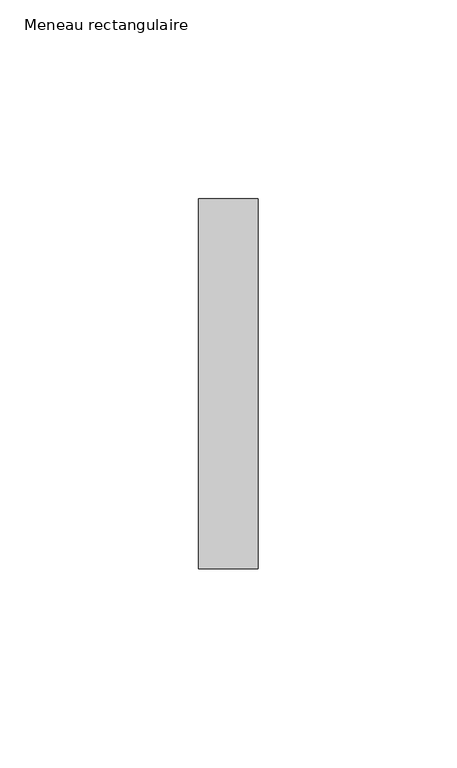
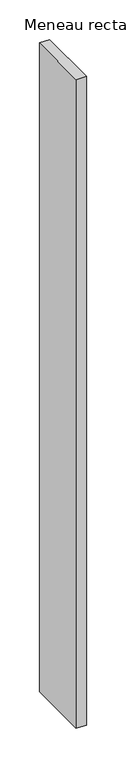
"""IFC4 building model written with IfcOpenShell, lengths in millimetres: member geometry, Meneau rectangulaire."""

from ifc_helpers import new_model, si_unit, frame, origin, place, context, project, spatial, polyline, outline, extrude, source, transform, mapped, element, save


def meneau_rectangulaire_fefadbc6(model_context):
    return source(origin(), model_context, "Body", "SweptSolid", [
        extrude(outline(polyline([(0.0, 46.5), (0.0, -46.5), (-15.0, -46.5), (-15.0, 46.5), (0.0, 46.5)])), frame((0.0, 0.0, -1001.0497356), z_axis=(0.0, 0.0, 1.0), x_axis=(1.0, 0.0, 0.0)), (0.0, 0.0, 1.0), 1001.0497356),
    ])


if __name__ == "__main__":
    model = new_model("IFC4")
    model_context = context("Model", 3, world=origin())
    ifc_project = project(units=[si_unit("LENGTHUNIT", "METRE", prefix="MILLI")], contexts=[model_context])
    site = spatial("IfcSite", under=ifc_project)
    building = spatial("IfcBuilding", under=site)
    placement = place(None, origin())
    meneau_rectangulaire_shape = meneau_rectangulaire_fefadbc6(model_context)
    element("IfcMember", 1, ObjectType="Meneau rectangulaire", at=placement, inside=building, context=model_context, shape_type="MappedRepresentation", body=[
        mapped(meneau_rectangulaire_shape, transform((0.0, 0.0, 0.0), x_axis=(1.0, 0.0, 0.0), y_axis=(0.0, 1.0, 0.0), z_axis=(0.0, 0.0, 1.0))),
    ])
    save(model, "model.ifc")
